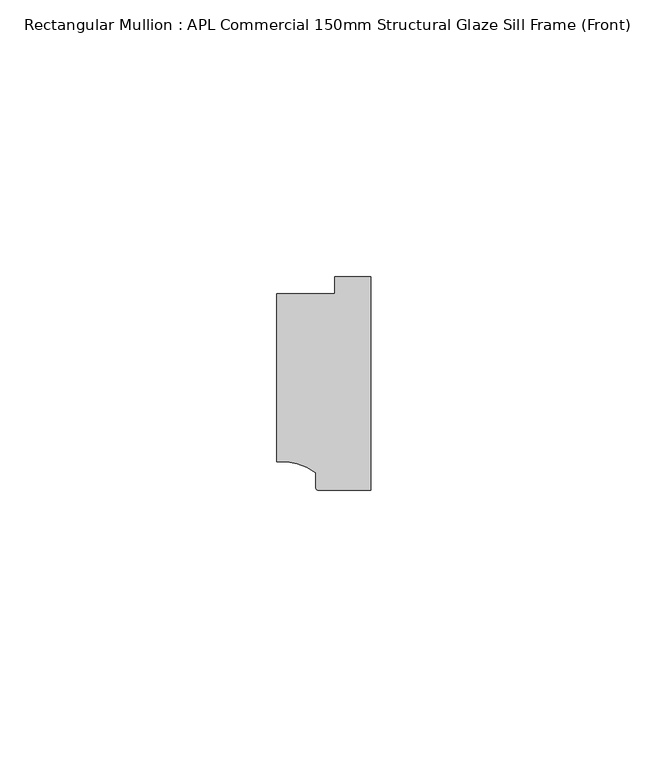
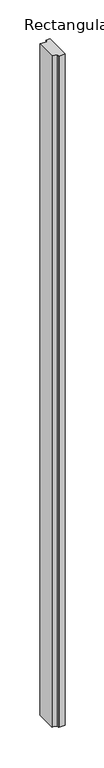
"""IFC4 building model written with IfcOpenShell, lengths in millimetres: member geometry, Rectangular Mullion : APL Commercial 150mm Structural Glaze Sill Frame (Front)."""

from ifc_helpers import new_model, si_unit, point, frame, frame_2d, origin, place, context, project, spatial, polyline, circle_curve, trimmed, segment, composite_curve, outline, extrude, source, transform, mapped, element, save


def rectangular_mullion_apl_commercial_150mm_structural_glaze_ff553e13(model_context):
    return source(origin(), model_context, "Body", "SweptSolid", [
        extrude(outline(composite_curve([segment(polyline([(-16.999942, -15.3793144), (-16.999942, 15.0004332), (-6.5000029, 15.0004332), (-6.5000029, 18.0281616), (0.0, 18.0281616), (0.0, -20.49978), (-9.5000029, -20.49978)]), True, "CONTINUOUS"), segment(trimmed(circle_curve(frame_2d((-9.5000029, -19.99978)), 0.5), [point((-9.5000029, -20.49978))], [point((-10.0, -19.9980675))], False, "CARTESIAN"), True, "CONTINUOUS"), segment(polyline([(-10.0, -19.9980675), (-10.0, -17.3120901)]), True, "CONTINUOUS"), segment(trimmed(circle_curve(frame_2d((-16.1098048, -25.7977481)), 10.4563907), [point((-10.0, -17.3120901))], [point((-16.999942, -15.3793144))], True, "CARTESIAN"), True, "CONTINUOUS")], self_intersect=False)), frame((0.0, 0.0, -1051.0001218), z_axis=(0.0, 0.0, 1.0), x_axis=(1.0, 0.0, 0.0)), (0.0, 0.0, 1.0), 1051.0001218),
    ])


if __name__ == "__main__":
    model = new_model("IFC4")
    model_context = context("Model", 3, world=origin())
    ifc_project = project(units=[si_unit("LENGTHUNIT", "METRE", prefix="MILLI")], contexts=[model_context])
    site = spatial("IfcSite", under=ifc_project)
    building = spatial("IfcBuilding", under=site)
    placement = place(None, origin())
    rectangular_mullion_apl_commercial_150mm_structural_glaze_shape = rectangular_mullion_apl_commercial_150mm_structural_glaze_ff553e13(model_context)
    element("IfcMember", 1, ObjectType="Rectangular Mullion : APL Commercial 150mm Structural Glaze Sill Frame (Front)", at=placement, inside=building, context=model_context, shape_type="MappedRepresentation", body=[
        mapped(rectangular_mullion_apl_commercial_150mm_structural_glaze_shape, transform((0.0, 0.0, 0.0), x_axis=(1.0, 0.0, 0.0), y_axis=(0.0, 1.0, 0.0), z_axis=(0.0, 0.0, 1.0))),
    ])
    save(model, "model.ifc")
